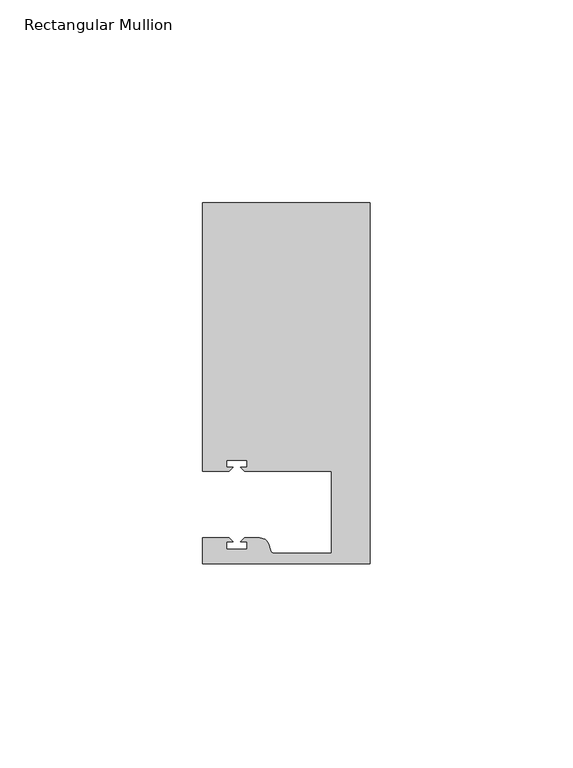
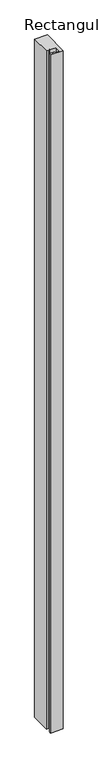
"""IFC4 building model written with IfcOpenShell, lengths in millimetres: member geometry, Rectangular Mullion."""

import ifcopenshell
import ifcopenshell.guid

model = None  # the IFC model being written
_history = None  # IfcOwnerHistory: only IFC2X3 demands one
_inside = {}  # id of a spatial element -> (the spatial element, [elements in it])
_under = {}  # id of a project, library or spatial element -> (it, [spatial elements below it])
_declared = {}  # id of a project -> (the project, [libraries it declares])
_typed = {}  # id of a type object -> (the type object, [elements of that type])
_made_of = {}  # id of a material, layer set ... -> (it, [elements and type objects made of it])


def new_model(schema):
    """Start an empty IFC model of exactly this schema.

    Asked for "IFC4X3", IfcOpenShell would pick the latest addendum, in which some entities
    have other attributes; the version numbers below select the first issue.
    IFC2X3 requires an IfcOwnerHistory on every rooted entity: one is made here for all.
    """
    global model, _history
    if schema == "IFC4X3":
        model = ifcopenshell.file(schema_version=(4, 3, 0, 0))
    else:
        model = ifcopenshell.file(schema=schema)
    _inside.clear()
    _under.clear()
    _declared.clear()
    _typed.clear()
    _made_of.clear()
    _history = None
    if model.schema == "IFC2X3":
        org = make("IfcOrganization", Name="unknown")
        user = make(
            "IfcPersonAndOrganization",
            ThePerson=make("IfcPerson", FamilyName="unknown"),
            TheOrganization=org,
        )
        app = make(
            "IfcApplication",
            ApplicationDeveloper=org,
            Version="unknown",
            ApplicationFullName="unknown",
            ApplicationIdentifier="unknown",
        )
        _history = make(
            "IfcOwnerHistory",
            OwningUser=user,
            OwningApplication=app,
            ChangeAction="ADDED",
            CreationDate=0,
        )
    return model


def make(cls, **values):
    """One entity of the class cls with the attributes given. An attribute that is None is left unset."""
    return model.create_entity(
        cls, **{name: value for name, value in values.items() if value is not None}
    )


def rooted(cls, **values):
    """An entity with a GlobalId (a new one), such as an element, a storey or a relation."""
    return make(cls, GlobalId=ifcopenshell.guid.new(), OwnerHistory=_history, **values)


def si_unit(unit_type, name, prefix=None):
    """IfcSIUnit, for example si_unit("LENGTHUNIT", "METRE", prefix="MILLI")."""
    return make("IfcSIUnit", UnitType=unit_type, Prefix=prefix, Name=name)


def assignment(units):
    """IfcUnitAssignment: the units of a project."""
    return None if units is None else make("IfcUnitAssignment", Units=units)


def point(xyz):
    """IfcCartesianPoint."""
    return None if xyz is None else make("IfcCartesianPoint", Coordinates=xyz)


def direction(xyz):
    """IfcDirection."""
    return None if xyz is None else make("IfcDirection", DirectionRatios=xyz)


def frame(location, z_axis=None, x_axis=None):
    """IfcAxis2Placement3D, a coordinate frame: its origin and axes. An axis left out is left unset."""
    return make(
        "IfcAxis2Placement3D",
        Location=point(location),
        Axis=direction(z_axis),
        RefDirection=direction(x_axis),
    )


def frame_2d(location, x_axis=None):
    """IfcAxis2Placement2D, a coordinate frame in the plane: its origin and x axis."""
    return make(
        "IfcAxis2Placement2D", Location=point(location), RefDirection=direction(x_axis)
    )


def origin():
    """The frame at (0, 0, 0) with its axes left unset."""
    return frame((0.0, 0.0, 0.0))


def place(relative_to, where):
    """IfcLocalPlacement: puts the frame where relative to a parent placement (None: the world)."""
    return make(
        "IfcLocalPlacement", PlacementRelTo=relative_to, RelativePlacement=where
    )


def context(
    kind, dimensions, precision=None, world=None, true_north=None, identifier=None
):
    """IfcGeometricRepresentationContext, for example the 3D "Model" context."""
    return make(
        "IfcGeometricRepresentationContext",
        ContextIdentifier=identifier,
        ContextType=kind,
        CoordinateSpaceDimension=dimensions,
        Precision=precision,
        WorldCoordinateSystem=world,
        TrueNorth=true_north,
    )


def project(units=None, contexts=None):
    """IfcProject with its units and contexts."""
    return rooted(
        "IfcProject",
        Name="project",
        RepresentationContexts=contexts,
        UnitsInContext=assignment(units),
    )


def spatial(cls, under=None, at=None, **own):
    """A site, building, storey or space (cls), placed at a placement, below another one or the project."""
    s = rooted(cls, ObjectPlacement=at, **own)
    if under is not None:
        _under.setdefault(under.id(), (under, []))[1].append(s)
    return s


def polyline(points):
    """IfcPolyline through the points."""
    return make("IfcPolyline", Points=[point(p) for p in points])


def circle_curve(where, radius):
    """IfcCircle in the frame where."""
    return make("IfcCircle", Position=where, Radius=radius)


def trimmed(basis, trim1, trim2, sense, master):
    """IfcTrimmedCurve: the piece of a basis curve between two trims."""
    return make(
        "IfcTrimmedCurve",
        BasisCurve=basis,
        Trim1=trim1,
        Trim2=trim2,
        SenseAgreement=sense,
        MasterRepresentation=master,
    )


def segment(curve, same_sense, transition):
    """IfcCompositeCurveSegment."""
    return make(
        "IfcCompositeCurveSegment",
        Transition=transition,
        SameSense=same_sense,
        ParentCurve=curve,
    )


def composite_curve(segments, self_intersect=None):
    """IfcCompositeCurve: segments joined end to end."""
    return make("IfcCompositeCurve", Segments=segments, SelfIntersect=self_intersect)


def outline(outer, holes=None, kind="AREA"):
    """IfcArbitraryClosedProfileDef: a profile drawn as a closed curve; with holes, ...WithVoids."""
    if holes is None:
        return make("IfcArbitraryClosedProfileDef", ProfileType=kind, OuterCurve=outer)
    return make(
        "IfcArbitraryProfileDefWithVoids",
        ProfileType=kind,
        OuterCurve=outer,
        InnerCurves=holes,
    )


def extrude(swept, where, along, depth):
    """IfcExtrudedAreaSolid: the profile swept, set in the frame where, extruded along a direction by depth."""
    return make(
        "IfcExtrudedAreaSolid",
        SweptArea=swept,
        Position=where,
        ExtrudedDirection=direction(along),
        Depth=depth,
    )


def shape(context_of_items, identifier, shape_type, items):
    """IfcShapeRepresentation: the items that make up one representation, for example the "Body"."""
    return make(
        "IfcShapeRepresentation",
        ContextOfItems=context_of_items,
        RepresentationIdentifier=identifier,
        RepresentationType=shape_type,
        Items=items,
    )


def source(mapping_origin, context_of_items, identifier, shape_type, items):
    """IfcRepresentationMap: a shape defined once, which mapped items show again and again."""
    return make(
        "IfcRepresentationMap",
        MappingOrigin=mapping_origin,
        MappedRepresentation=shape(context_of_items, identifier, shape_type, items),
    )


def transform(
    local_origin,
    x_axis=None,
    y_axis=None,
    z_axis=None,
    scale=None,
    scale2=None,
    scale3=None,
    uniform=True,
):
    """IfcCartesianTransformationOperator3D, or its non-uniform kind. x_axis, y_axis, z_axis: its Axis1, 2, 3."""
    if uniform:
        return make(
            "IfcCartesianTransformationOperator3D",
            Axis1=direction(x_axis),
            Axis2=direction(y_axis),
            LocalOrigin=point(local_origin),
            Scale=scale,
            Axis3=direction(z_axis),
        )
    return make(
        "IfcCartesianTransformationOperator3DnonUniform",
        Axis1=direction(x_axis),
        Axis2=direction(y_axis),
        LocalOrigin=point(local_origin),
        Scale=scale,
        Axis3=direction(z_axis),
        Scale2=scale2,
        Scale3=scale3,
    )


def mapped(mapping_source, mapping_target):
    """IfcMappedItem: shows the shape of a source again, moved by a transform."""
    return make(
        "IfcMappedItem", MappingSource=mapping_source, MappingTarget=mapping_target
    )


def made_of(thing, what):
    """Note that an element or type object is made of a material, layer set ...; save() writes the relation."""
    if what is not None:
        _made_of.setdefault(what.id(), (what, []))[1].append(thing)
    return thing


def element(
    cls,
    number,
    at=None,
    inside=None,
    cuts=None,
    type_object=None,
    material=None,
    context=None,
    identifier="Body",
    shape_type=None,
    held_by="IfcProductDefinitionShape",
    body=None,
    shapes=None,
    **own,
):
    """One element of the class cls, such as IfcWall. Its Tag is "e" and its number.

    at: its placement. inside: the storey or other place that contains it. cuts: it is an
    opening in that element (IfcRelVoidsElement). A single representation is given by context,
    identifier, shape_type and body (its items); several are given by shapes. held_by: the class
    of the entity that holds the representations. save() writes the other relations.
    """
    e = rooted(cls, Tag="e%d" % number, ObjectPlacement=at, **own)
    if body is not None:
        shapes = [shape(context, identifier, shape_type, body)]
    if shapes is not None:
        e.Representation = make(held_by, Representations=shapes)
    if inside is not None:
        _inside.setdefault(inside.id(), (inside, []))[1].append(e)
    if cuts is not None:
        rooted(
            "IfcRelVoidsElement", RelatingBuildingElement=cuts, RelatedOpeningElement=e
        )
    if type_object is not None:
        _typed.setdefault(type_object.id(), (type_object, []))[1].append(e)
    return made_of(e, material)


def aggregate(whole, parts):
    """IfcRelAggregates: a whole, such as a stair, and the parts it consists of."""
    return rooted("IfcRelAggregates", RelatingObject=whole, RelatedObjects=parts)


def save(model, path):
    """Write the relations noted so far, then the file.

    IfcRelAggregates (storeys below a building ...), IfcRelContainedInSpatialStructure (elements
    in a storey), IfcRelDefinesByType, IfcRelAssociatesMaterial and IfcRelDeclares: one each for
    every whole, place, type object, material and project.
    """
    for whole, parts in _under.values():
        aggregate(whole, parts)
    for where, things in _inside.values():
        rooted(
            "IfcRelContainedInSpatialStructure",
            RelatedElements=things,
            RelatingStructure=where,
        )
    for kind, things in _typed.values():
        rooted("IfcRelDefinesByType", RelatedObjects=things, RelatingType=kind)
    for what, things in _made_of.values():
        rooted("IfcRelAssociatesMaterial", RelatedObjects=things, RelatingMaterial=what)
    for by, libraries in _declared.values():
        rooted("IfcRelDeclares", RelatingContext=by, RelatedDefinitions=libraries)
    model.write(path)


def rectangular_mullion_89f3c093(model_context):
    return source(origin(), model_context, "Body", "SweptSolid", [
        extrude(outline(composite_curve([segment(polyline([(0.0, -44.45), (-41.2749977, -44.45), (-41.2749977, -38.1499897), (-34.8007531, -38.1499897), (-33.8007405, -39.1500023), (-35.3749778, -39.1500023), (-35.3749778, -40.9498819), (-30.3749831, -40.9498819), (-30.3749831, -39.1500023), (-31.949256, -39.1500023), (-30.9492503, -38.1499966), (-27.2637853, -38.1499966)]), True, "CONTINUOUS"), segment(trimmed(circle_curve(frame_2d((-27.2637853, -40.6499966)), 2.5), [point((-27.2637853, -38.1499966))], [point((-24.8489707, -40.002949))], False, "CARTESIAN"), True, "CONTINUOUS"), segment(polyline([(-24.8489707, -40.002949), (-24.5258588, -41.2088192)]), True, "CONTINUOUS"), segment(trimmed(circle_curve(frame_2d((-23.5599329, -40.9500001)), 1.0), [point((-24.5258588, -41.2088192))], [point((-23.5599329, -41.9500001))], True, "CARTESIAN"), True, "CONTINUOUS"), segment(polyline([(-23.5599329, -41.9500001), (-9.525, -41.95), (-9.525, -21.7499959), (-30.9492434, -21.7499959), (-31.949256, -20.7499834), (-30.3750186, -20.7499834), (-30.3750186, -18.949936), (-35.3750134, -18.949936), (-35.3750134, -20.7499834), (-33.8007405, -20.7499834), (-34.8007562, -21.749999), (-41.275, -21.749999), (-41.275, 44.45), (0.0, 44.45), (0.0, -44.45)]), True, "CONTINUOUS")], self_intersect=False)), frame((0.0, 0.0, -2336.8), z_axis=(0.0, 0.0, 1.0), x_axis=(1.0, 0.0, 0.0)), (0.0, 0.0, 1.0), 2336.8),
    ])


if __name__ == "__main__":
    model = new_model("IFC4")
    model_context = context("Model", 3, world=origin())
    ifc_project = project(units=[si_unit("LENGTHUNIT", "METRE", prefix="MILLI")], contexts=[model_context])
    site = spatial("IfcSite", under=ifc_project)
    building = spatial("IfcBuilding", under=site)
    placement = place(None, origin())
    rectangular_mullion_shape = rectangular_mullion_89f3c093(model_context)
    element("IfcMember", 1, ObjectType="Rectangular Mullion", at=placement, inside=building, context=model_context, shape_type="MappedRepresentation", body=[
        mapped(rectangular_mullion_shape, transform((0.0, 0.0, 0.0), x_axis=(1.0, 0.0, 0.0), y_axis=(0.0, 1.0, 0.0), z_axis=(0.0, 0.0, 1.0))),
    ])
    save(model, "model.ifc")
